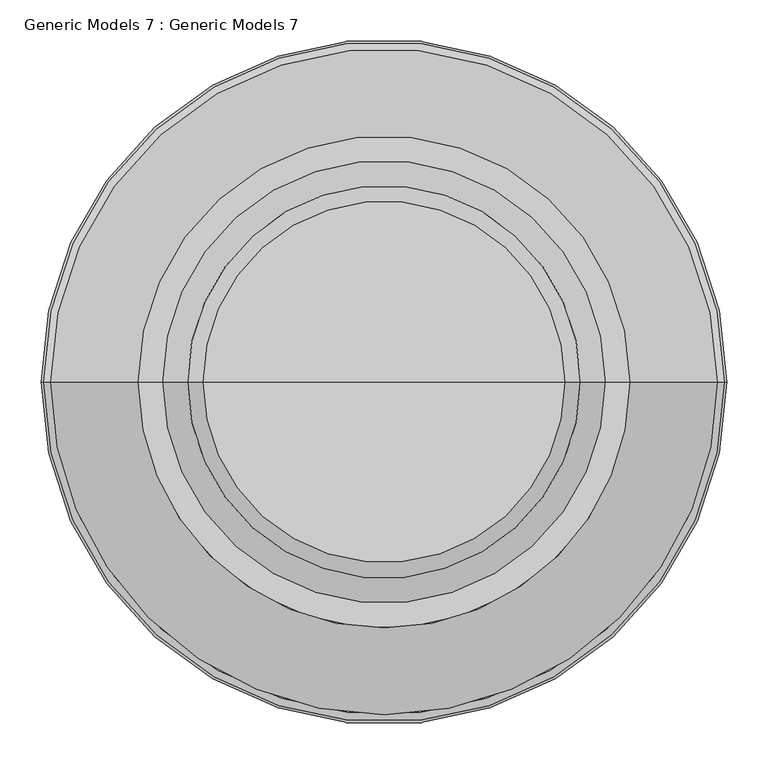
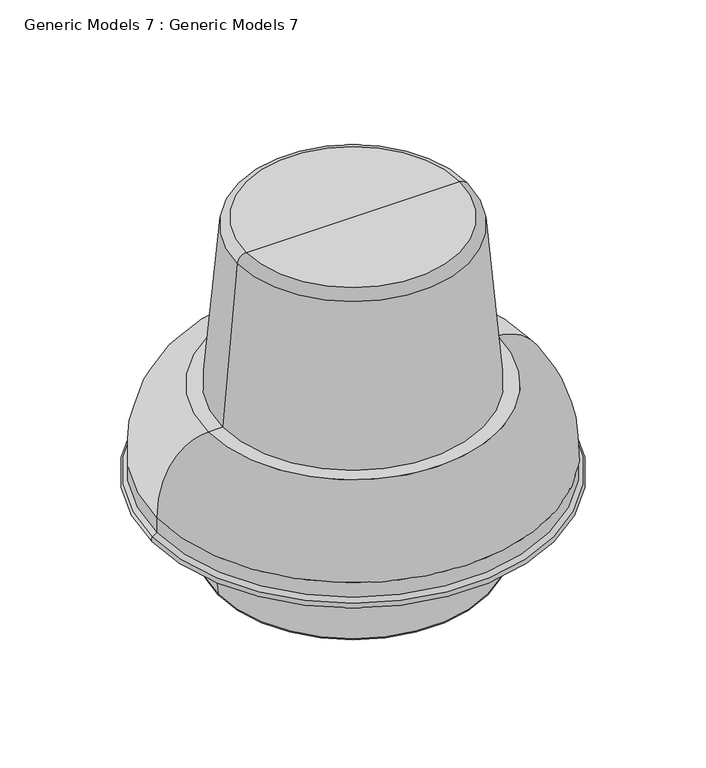
"""IFC4 building model written with IfcOpenShell, lengths in millimetres: proxy geometry, Generic Models 7 : Generic Models 7."""

from ifc_helpers import new_model, si_unit, point, frame, origin, place, context, project, spatial, polyline, circle_curve, ellipse_curve, trimmed, source, transform, mapped, element, save
from ifc_brep_helpers import plane_surface, cylinder_surface, revolved_surface, spline_curve, advanced_brep


def generic_models_7_generic_models_7_7290856d(model_context):
    return source(origin(), model_context, "Body", "AdvancedBrep", [
        advanced_brep(
        [(-23524.9799263, 25114.8139108, -1609.725), (-23305.0652056, 25114.8139108, -1609.725), (-23744.894647, 25114.8139108, -1609.725), (-23802.9773038, 25114.8139108, -2336.8), (-23246.9825488, 25114.8139108, -2336.8), (-23524.9799263, 25114.8139108, -2336.8), (-23803.3641869, 25114.8139108, -2334.6058769), (-23246.5956657, 25114.8139108, -2334.6058769), (-23810.6959653, 25114.8139108, -2250.8032664), (-23239.2638873, 25114.8139108, -2250.8032664), (-23810.6959653, 25114.8139108, -2173.5462381), (-23239.2638873, 25114.8139108, -2173.5462381), (-23935.544365, 25114.8139108, -2173.5462381), (-23114.4154876, 25114.8139108, -2173.5462381), (-23939.1865754, 25114.8139108, -2161.9946226), (-23110.7732772, 25114.8139108, -2161.9946226), (-23929.9773038, 25114.8139108, -2155.5462212), (-23119.9825488, 25114.8139108, -2155.5462212), (-23929.9773038, 25114.8139108, -2123.7962212), (-23119.9825488, 25114.8139108, -2123.7962212), (-23824.3328253, 25114.8139108, -1973.4243436), (-23225.6270273, 25114.8139108, -1973.4243436), (-23794.1703253, 25114.8139108, -1973.4243436), (-23255.7895273, 25114.8139108, -1973.4243436), (-23763.872156, 25114.8139108, -1627.1146831), (-23286.0876966, 25114.8139108, -1627.1146831)],
        [
            (0, 1),
            (1, 2, circle_curve(frame((-23524.9799263, 25114.8139108, -1609.725), z_axis=(0.0, 0.0, 1.0), x_axis=(1.0, 0.0, 0.0)), 219.9147207)),
            (2, 0),
            (2, 1, circle_curve(frame((-23524.9799263, 25114.8139108, -1609.725), z_axis=(0.0, 0.0, 1.0), x_axis=(1.0, 0.0, 0.0)), 219.9147207)),
            (3, 4, circle_curve(frame((-23524.9799263, 25114.8139108, -2336.8), z_axis=(0.0, 0.0, -1.0), x_axis=(1.0, 0.0, 0.0)), 277.9973775)),
            (4, 5),
            (5, 3),
            (4, 3, circle_curve(frame((-23524.9799263, 25114.8139108, -2336.8), z_axis=(0.0, 0.0, -1.0), x_axis=(1.0, 0.0, 0.0)), 277.9973775)),
            (6, 7, circle_curve(frame((-23524.9799263, 25114.8139108, -2334.6058769), z_axis=(0.0, 0.0, -1.0), x_axis=(1.0, 0.0, 0.0)), 278.3842606)),
            (7, 4),
            (3, 6),
            (7, 6, circle_curve(frame((-23524.9799263, 25114.8139108, -2334.6058769), z_axis=(0.0, 0.0, -1.0), x_axis=(1.0, 0.0, 0.0)), 278.3842606)),
            (8, 9, circle_curve(frame((-23524.9799263, 25114.8139108, -2250.8032664), z_axis=(0.0, 0.0, -1.0), x_axis=(1.0, 0.0, 0.0)), 285.716039)),
            (9, 7, circle_curve(frame((-23721.8638873, 25114.8139108, -2250.8032664), z_axis=(0.0, 1.0, 0.0), x_axis=(1.0, 0.0, 0.0)), 482.6)),
            (6, 8, circle_curve(frame((-23328.0959653, 25114.8139108, -2250.8032664), z_axis=(0.0, 1.0, 0.0), x_axis=(-1.0, 0.0, 0.0)), 482.6)),
            (9, 8, circle_curve(frame((-23524.9799263, 25114.8139108, -2250.8032664), z_axis=(0.0, 0.0, -1.0), x_axis=(1.0, 0.0, 0.0)), 285.716039)),
            (10, 11, circle_curve(frame((-23524.9799263, 25114.8139108, -2173.5462381), z_axis=(0.0, 0.0, -1.0), x_axis=(1.0, 0.0, 0.0)), 285.716039)),
            (11, 9),
            (8, 10),
            (11, 10, circle_curve(frame((-23524.9799263, 25114.8139108, -2173.5462381), z_axis=(0.0, 0.0, -1.0), x_axis=(1.0, 0.0, 0.0)), 285.716039)),
            (12, 13, circle_curve(frame((-23524.9799263, 25114.8139108, -2173.5462381), z_axis=(0.0, 0.0, -1.0), x_axis=(1.0, 0.0, 0.0)), 410.5644387)),
            (13, 11),
            (10, 12),
            (13, 12, circle_curve(frame((-23524.9799263, 25114.8139108, -2173.5462381), z_axis=(0.0, 0.0, -1.0), x_axis=(1.0, 0.0, 0.0)), 410.5644387)),
            (14, 15, circle_curve(frame((-23524.9799263, 25114.8139108, -2161.9946226), z_axis=(0.0, 0.0, -1.0), x_axis=(1.0, 0.0, 0.0)), 414.2066491)),
            (15, 13, circle_curve(frame((-23114.4154876, 25114.8139108, -2167.1962381), z_axis=(0.0, 1.0, 0.0), x_axis=(1.0, 0.0, 0.0)), 6.35)),
            (12, 14, circle_curve(frame((-23935.544365, 25114.8139108, -2167.1962381), z_axis=(0.0, 1.0, 0.0), x_axis=(-1.0, 0.0, 0.0)), 6.35)),
            (15, 14, circle_curve(frame((-23524.9799263, 25114.8139108, -2161.9946226), z_axis=(0.0, 0.0, -1.0), x_axis=(1.0, 0.0, 0.0)), 414.2066491)),
            (16, 17, circle_curve(frame((-23524.9799263, 25114.8139108, -2155.5462212), z_axis=(0.0, 0.0, -1.0), x_axis=(1.0, 0.0, 0.0)), 404.9973775)),
            (17, 15),
            (14, 16),
            (17, 16, circle_curve(frame((-23524.9799263, 25114.8139108, -2155.5462212), z_axis=(0.0, 0.0, -1.0), x_axis=(1.0, 0.0, 0.0)), 404.9973775)),
            (18, 19, circle_curve(frame((-23524.9799263, 25114.8139108, -2123.7962212), z_axis=(0.0, 0.0, -1.0), x_axis=(1.0, 0.0, 0.0)), 404.9973775)),
            (19, 17),
            (16, 18),
            (19, 18, circle_curve(frame((-23524.9799263, 25114.8139108, -2123.7962212), z_axis=(0.0, 0.0, -1.0), x_axis=(1.0, 0.0, 0.0)), 404.9973775)),
            (20, 21, circle_curve(frame((-23524.9799263, 25114.8139108, -1973.4243436), z_axis=(0.0, 0.0, -1.0), x_axis=(1.0, 0.0, 0.0)), 299.352899)),
            (21, 19, spline_curve(3, [(-23225.6270273, 25114.8139108, -1973.4243436), (-23192.731711564, 25114.8139108, -1973.4243436), (-23119.9825488, 25114.8139108, -2002.371516275), (-23119.9825488, 25114.8139108, -2123.7962212)], [4, 4], [0.0, 0.25439278277227423])),
            (18, 20, spline_curve(3, [(-23929.9773038, 25114.8139108, -2123.7962212), (-23929.9773038, 25114.8139108, -2002.371516275), (-23857.228141036, 25114.8139108, -1973.4243436), (-23824.3328253, 25114.8139108, -1973.4243436)], [4, 4], [0.0, 0.25439278277227423])),
            (21, 20, circle_curve(frame((-23524.9799263, 25114.8139108, -1973.4243436), z_axis=(0.0, 0.0, -1.0), x_axis=(1.0, 0.0, 0.0)), 299.352899)),
            (22, 23, circle_curve(frame((-23524.9799263, 25114.8139108, -1973.4243436), z_axis=(0.0, 0.0, -1.0), x_axis=(1.0, 0.0, 0.0)), 269.190399)),
            (23, 21),
            (20, 22),
            (23, 22, circle_curve(frame((-23524.9799263, 25114.8139108, -1973.4243436), z_axis=(0.0, 0.0, -1.0), x_axis=(1.0, 0.0, 0.0)), 269.190399)),
            (24, 25, circle_curve(frame((-23524.9799263, 25114.8139108, -1627.1146831), z_axis=(0.0, 0.0, -1.0), x_axis=(1.0, 0.0, 0.0)), 238.8922297)),
            (25, 23),
            (22, 24),
            (25, 24, circle_curve(frame((-23524.9799263, 25114.8139108, -1627.1146831), z_axis=(0.0, 0.0, -1.0), x_axis=(1.0, 0.0, 0.0)), 238.8922297)),
            (1, 25, circle_curve(frame((-23305.0652056, 25114.8139108, -1628.775), z_axis=(0.0, 1.0, 0.0), x_axis=(1.0, 0.0, 0.0)), 19.05)),
            (24, 2, circle_curve(frame((-23744.894647, 25114.8139108, -1628.775), z_axis=(0.0, 1.0, 0.0), x_axis=(-1.0, 0.0, 0.0)), 19.05)),
        ],
        [
            plane_surface(frame((-23524.9799263, 25114.8139108, -1609.725), z_axis=(0.0, 0.0, 1.0), x_axis=(1.0, 0.0, 0.0))),
            plane_surface(frame((-23524.9799263, 25114.8139108, -2336.8), z_axis=(0.0, 0.0, -1.0), x_axis=(1.0, 0.0, 0.0))),
            revolved_surface(polyline([(-23246.9825488, 25114.8139108, -2336.8), (-23246.5956657, 25114.8139108, -2334.6058769)]), (-23524.9799263, 25114.8139108, -2336.8), (0.0, 0.0, 1.0)),
            revolved_surface(trimmed(ellipse_curve(frame((-23721.8638873, 25114.8139108, -2250.8032664), z_axis=(0.0, -1.0, 0.0), x_axis=(1.0, 0.0, 0.0)), 482.6, 482.6), [point((-23246.5956657, 25114.8139108, -2334.6058769))], [point((-23239.2638873, 25114.8139108, -2250.8032664))], True, "CARTESIAN"), (-23524.9799263, 25114.8139108, -2336.8), (0.0, 0.0, 1.0)),
            cylinder_surface(frame((-23524.9799263, 25114.8139108, -2336.8), z_axis=(0.0, 0.0, 1.0), x_axis=(1.0, 0.0, 0.0)), 285.716039),
            plane_surface(frame((-23524.9799263, 25114.8139108, -2173.5462381), z_axis=(0.0, 0.0, -1.0), x_axis=(1.0, 0.0, 0.0))),
            revolved_surface(trimmed(ellipse_curve(frame((-23114.4154876, 25114.8139108, -2167.1962381), z_axis=(0.0, -1.0, 0.0), x_axis=(1.0, 0.0, 0.0)), 6.35, 6.35), [point((-23114.4154876, 25114.8139108, -2173.5462381))], [point((-23110.7732772, 25114.8139108, -2161.9946226))], True, "CARTESIAN"), (-23524.9799263, 25114.8139108, -2336.8), (0.0, 0.0, 1.0)),
            revolved_surface(polyline([(-23110.7732772, 25114.8139108, -2161.9946226), (-23119.9825488, 25114.8139108, -2155.5462212)]), (-23524.9799263, 25114.8139108, -2336.8), (0.0, 0.0, 1.0)),
            cylinder_surface(frame((-23524.9799263, 25114.8139108, -2336.8), z_axis=(0.0, 0.0, 1.0), x_axis=(1.0, 0.0, 0.0)), 404.9973775),
            revolved_surface(spline_curve(3, [(-23119.9825488, 25114.8139108, -2123.7962212), (-23119.9825488, 25114.8139108, -2002.371516275), (-23192.731711564, 25114.8139108, -1973.4243436), (-23225.6270273, 25114.8139108, -1973.4243436)], [4, 4], [0.0, 0.25439278277227423]), (-23524.9799263, 25114.8139108, -2336.8), (0.0, 0.0, 1.0)),
            plane_surface(frame((-23524.9799263, 25114.8139108, -1973.4243436), z_axis=(0.0, 0.0, 1.0), x_axis=(1.0, 0.0, 0.0))),
            revolved_surface(polyline([(-23255.7895273, 25114.8139108, -1973.4243436), (-23286.0876966, 25114.8139108, -1627.1146831)]), (-23524.9799263, 25114.8139108, -2336.8), (0.0, 0.0, 1.0)),
            revolved_surface(trimmed(ellipse_curve(frame((-23305.0652056, 25114.8139108, -1628.775), z_axis=(0.0, -1.0, 0.0), x_axis=(1.0, 0.0, 0.0)), 19.05, 19.05), [point((-23286.0876966, 25114.8139108, -1627.1146831))], [point((-23305.0652056, 25114.8139108, -1609.725))], True, "CARTESIAN"), (-23524.9799263, 25114.8139108, -2336.8), (0.0, 0.0, 1.0)),
        ],
        [
            (0, [[1, 2, 3]]),
            (0, [[-3, 4, -1]]),
            (1, [[5, 6, 7]]),
            (1, [[8, -7, -6]]),
            (2, [[9, 10, -5, 11]]),
            (2, [[12, -11, -8, -10]]),
            (3, [[13, 14, -9, 15]]),
            (3, [[16, -15, -12, -14]]),
            (4, [[17, 18, -13, 19]]),
            (4, [[20, -19, -16, -18]]),
            (5, [[21, 22, -17, 23]]),
            (5, [[24, -23, -20, -22]]),
            (6, [[25, 26, -21, 27]]),
            (6, [[28, -27, -24, -26]]),
            (7, [[29, 30, -25, 31]]),
            (7, [[32, -31, -28, -30]]),
            (8, [[33, 34, -29, 35]]),
            (8, [[36, -35, -32, -34]]),
            (9, [[37, 38, -33, 39]]),
            (9, [[40, -39, -36, -38]]),
            (10, [[41, 42, -37, 43]]),
            (10, [[44, -43, -40, -42]]),
            (11, [[45, 46, -41, 47]]),
            (11, [[48, -47, -44, -46]]),
            (12, [[-2, 49, -45, 50]]),
            (12, [[-4, -50, -48, -49]]),
        ],
    ),
    ])


if __name__ == "__main__":
    model = new_model("IFC4")
    model_context = context("Model", 3, world=origin())
    ifc_project = project(units=[si_unit("LENGTHUNIT", "METRE", prefix="MILLI")], contexts=[model_context])
    site = spatial("IfcSite", under=ifc_project)
    building = spatial("IfcBuilding", under=site)
    placement = place(None, origin())
    generic_models_7_generic_models_7_shape = generic_models_7_generic_models_7_7290856d(model_context)
    element("IfcBuildingElementProxy", 1, Name="Generic Models 7 : Generic Models 7", ObjectType="Generic Models 7 : Generic Models 7", at=placement, inside=building, context=model_context, shape_type="MappedRepresentation", body=[
        mapped(generic_models_7_generic_models_7_shape, transform((0.0, 0.0, 0.0), x_axis=(1.0, 0.0, 0.0), y_axis=(0.0, 1.0, 0.0), z_axis=(0.0, 0.0, 1.0))),
    ])
    save(model, "model.ifc")
